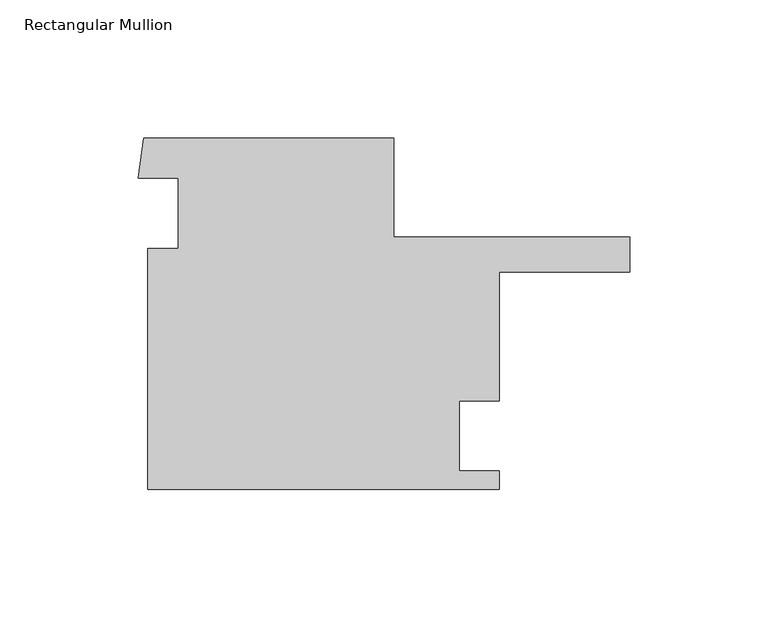
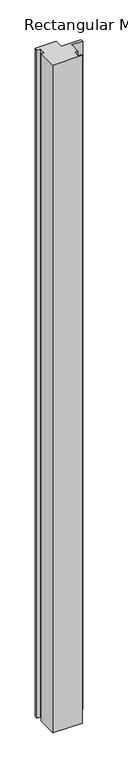
"""IFC4 building model written with IfcOpenShell, lengths in millimetres: member geometry, Rectangular Mullion."""

import ifcopenshell
import ifcopenshell.guid

model = None  # the IFC model being written
_history = None  # IfcOwnerHistory: only IFC2X3 demands one
_inside = {}  # id of a spatial element -> (the spatial element, [elements in it])
_under = {}  # id of a project, library or spatial element -> (it, [spatial elements below it])
_declared = {}  # id of a project -> (the project, [libraries it declares])
_typed = {}  # id of a type object -> (the type object, [elements of that type])
_made_of = {}  # id of a material, layer set ... -> (it, [elements and type objects made of it])


def new_model(schema):
    """Start an empty IFC model of exactly this schema.

    Asked for "IFC4X3", IfcOpenShell would pick the latest addendum, in which some entities
    have other attributes; the version numbers below select the first issue.
    IFC2X3 requires an IfcOwnerHistory on every rooted entity: one is made here for all.
    """
    global model, _history
    if schema == "IFC4X3":
        model = ifcopenshell.file(schema_version=(4, 3, 0, 0))
    else:
        model = ifcopenshell.file(schema=schema)
    _inside.clear()
    _under.clear()
    _declared.clear()
    _typed.clear()
    _made_of.clear()
    _history = None
    if model.schema == "IFC2X3":
        org = make("IfcOrganization", Name="unknown")
        user = make(
            "IfcPersonAndOrganization",
            ThePerson=make("IfcPerson", FamilyName="unknown"),
            TheOrganization=org,
        )
        app = make(
            "IfcApplication",
            ApplicationDeveloper=org,
            Version="unknown",
            ApplicationFullName="unknown",
            ApplicationIdentifier="unknown",
        )
        _history = make(
            "IfcOwnerHistory",
            OwningUser=user,
            OwningApplication=app,
            ChangeAction="ADDED",
            CreationDate=0,
        )
    return model


def make(cls, **values):
    """One entity of the class cls with the attributes given. An attribute that is None is left unset."""
    return model.create_entity(
        cls, **{name: value for name, value in values.items() if value is not None}
    )


def rooted(cls, **values):
    """An entity with a GlobalId (a new one), such as an element, a storey or a relation."""
    return make(cls, GlobalId=ifcopenshell.guid.new(), OwnerHistory=_history, **values)


def si_unit(unit_type, name, prefix=None):
    """IfcSIUnit, for example si_unit("LENGTHUNIT", "METRE", prefix="MILLI")."""
    return make("IfcSIUnit", UnitType=unit_type, Prefix=prefix, Name=name)


def assignment(units):
    """IfcUnitAssignment: the units of a project."""
    return None if units is None else make("IfcUnitAssignment", Units=units)


def point(xyz):
    """IfcCartesianPoint."""
    return None if xyz is None else make("IfcCartesianPoint", Coordinates=xyz)


def direction(xyz):
    """IfcDirection."""
    return None if xyz is None else make("IfcDirection", DirectionRatios=xyz)


def frame(location, z_axis=None, x_axis=None):
    """IfcAxis2Placement3D, a coordinate frame: its origin and axes. An axis left out is left unset."""
    return make(
        "IfcAxis2Placement3D",
        Location=point(location),
        Axis=direction(z_axis),
        RefDirection=direction(x_axis),
    )


def origin():
    """The frame at (0, 0, 0) with its axes left unset."""
    return frame((0.0, 0.0, 0.0))


def place(relative_to, where):
    """IfcLocalPlacement: puts the frame where relative to a parent placement (None: the world)."""
    return make(
        "IfcLocalPlacement", PlacementRelTo=relative_to, RelativePlacement=where
    )


def context(
    kind, dimensions, precision=None, world=None, true_north=None, identifier=None
):
    """IfcGeometricRepresentationContext, for example the 3D "Model" context."""
    return make(
        "IfcGeometricRepresentationContext",
        ContextIdentifier=identifier,
        ContextType=kind,
        CoordinateSpaceDimension=dimensions,
        Precision=precision,
        WorldCoordinateSystem=world,
        TrueNorth=true_north,
    )


def project(units=None, contexts=None):
    """IfcProject with its units and contexts."""
    return rooted(
        "IfcProject",
        Name="project",
        RepresentationContexts=contexts,
        UnitsInContext=assignment(units),
    )


def spatial(cls, under=None, at=None, **own):
    """A site, building, storey or space (cls), placed at a placement, below another one or the project."""
    s = rooted(cls, ObjectPlacement=at, **own)
    if under is not None:
        _under.setdefault(under.id(), (under, []))[1].append(s)
    return s


def polyline(points):
    """IfcPolyline through the points."""
    return make("IfcPolyline", Points=[point(p) for p in points])


def outline(outer, holes=None, kind="AREA"):
    """IfcArbitraryClosedProfileDef: a profile drawn as a closed curve; with holes, ...WithVoids."""
    if holes is None:
        return make("IfcArbitraryClosedProfileDef", ProfileType=kind, OuterCurve=outer)
    return make(
        "IfcArbitraryProfileDefWithVoids",
        ProfileType=kind,
        OuterCurve=outer,
        InnerCurves=holes,
    )


def extrude(swept, where, along, depth):
    """IfcExtrudedAreaSolid: the profile swept, set in the frame where, extruded along a direction by depth."""
    return make(
        "IfcExtrudedAreaSolid",
        SweptArea=swept,
        Position=where,
        ExtrudedDirection=direction(along),
        Depth=depth,
    )


def shape(context_of_items, identifier, shape_type, items):
    """IfcShapeRepresentation: the items that make up one representation, for example the "Body"."""
    return make(
        "IfcShapeRepresentation",
        ContextOfItems=context_of_items,
        RepresentationIdentifier=identifier,
        RepresentationType=shape_type,
        Items=items,
    )


def source(mapping_origin, context_of_items, identifier, shape_type, items):
    """IfcRepresentationMap: a shape defined once, which mapped items show again and again."""
    return make(
        "IfcRepresentationMap",
        MappingOrigin=mapping_origin,
        MappedRepresentation=shape(context_of_items, identifier, shape_type, items),
    )


def transform(
    local_origin,
    x_axis=None,
    y_axis=None,
    z_axis=None,
    scale=None,
    scale2=None,
    scale3=None,
    uniform=True,
):
    """IfcCartesianTransformationOperator3D, or its non-uniform kind. x_axis, y_axis, z_axis: its Axis1, 2, 3."""
    if uniform:
        return make(
            "IfcCartesianTransformationOperator3D",
            Axis1=direction(x_axis),
            Axis2=direction(y_axis),
            LocalOrigin=point(local_origin),
            Scale=scale,
            Axis3=direction(z_axis),
        )
    return make(
        "IfcCartesianTransformationOperator3DnonUniform",
        Axis1=direction(x_axis),
        Axis2=direction(y_axis),
        LocalOrigin=point(local_origin),
        Scale=scale,
        Axis3=direction(z_axis),
        Scale2=scale2,
        Scale3=scale3,
    )


def mapped(mapping_source, mapping_target):
    """IfcMappedItem: shows the shape of a source again, moved by a transform."""
    return make(
        "IfcMappedItem", MappingSource=mapping_source, MappingTarget=mapping_target
    )


def made_of(thing, what):
    """Note that an element or type object is made of a material, layer set ...; save() writes the relation."""
    if what is not None:
        _made_of.setdefault(what.id(), (what, []))[1].append(thing)
    return thing


def element(
    cls,
    number,
    at=None,
    inside=None,
    cuts=None,
    type_object=None,
    material=None,
    context=None,
    identifier="Body",
    shape_type=None,
    held_by="IfcProductDefinitionShape",
    body=None,
    shapes=None,
    **own,
):
    """One element of the class cls, such as IfcWall. Its Tag is "e" and its number.

    at: its placement. inside: the storey or other place that contains it. cuts: it is an
    opening in that element (IfcRelVoidsElement). A single representation is given by context,
    identifier, shape_type and body (its items); several are given by shapes. held_by: the class
    of the entity that holds the representations. save() writes the other relations.
    """
    e = rooted(cls, Tag="e%d" % number, ObjectPlacement=at, **own)
    if body is not None:
        shapes = [shape(context, identifier, shape_type, body)]
    if shapes is not None:
        e.Representation = make(held_by, Representations=shapes)
    if inside is not None:
        _inside.setdefault(inside.id(), (inside, []))[1].append(e)
    if cuts is not None:
        rooted(
            "IfcRelVoidsElement", RelatingBuildingElement=cuts, RelatedOpeningElement=e
        )
    if type_object is not None:
        _typed.setdefault(type_object.id(), (type_object, []))[1].append(e)
    return made_of(e, material)


def aggregate(whole, parts):
    """IfcRelAggregates: a whole, such as a stair, and the parts it consists of."""
    return rooted("IfcRelAggregates", RelatingObject=whole, RelatedObjects=parts)


def save(model, path):
    """Write the relations noted so far, then the file.

    IfcRelAggregates (storeys below a building ...), IfcRelContainedInSpatialStructure (elements
    in a storey), IfcRelDefinesByType, IfcRelAssociatesMaterial and IfcRelDeclares: one each for
    every whole, place, type object, material and project.
    """
    for whole, parts in _under.values():
        aggregate(whole, parts)
    for where, things in _inside.values():
        rooted(
            "IfcRelContainedInSpatialStructure",
            RelatedElements=things,
            RelatingStructure=where,
        )
    for kind, things in _typed.values():
        rooted("IfcRelDefinesByType", RelatedObjects=things, RelatingType=kind)
    for what, things in _made_of.values():
        rooted("IfcRelAssociatesMaterial", RelatedObjects=things, RelatingMaterial=what)
    for by, libraries in _declared.values():
        rooted("IfcRelDeclares", RelatingContext=by, RelatedDefinitions=libraries)
    model.write(path)


def rectangular_mullion_6ec03bc8(model_context):
    return source(origin(), model_context, "Body", "SweptSolid", [
        extrude(outline(polyline([(-85.3358632, 51.016025), (-85.3358632, 15.2739245), (0.0, 15.2739245), (0.0, 2.6359536), (-47.2358632, 2.6359536), (-47.2358632, -44.0053394), (-61.5233511, -44.0053394), (-61.5233511, -69.4053394), (-47.2358632, -69.4053394), (-47.2358632, -75.983975), (-174.2358632, -75.983975), (-174.2358632, 11.1125), (-163.1233632, 11.1125), (-163.1233632, 36.5162316), (-177.6313343, 36.5162316), (-175.5762454, 51.016025), (-85.3358632, 51.016025)])), frame((0.0, 0.0, -3048.0), z_axis=(0.0, 0.0, 1.0), x_axis=(1.0, 0.0, 0.0)), (0.0, 0.0, 1.0), 3048.0),
    ])


if __name__ == "__main__":
    model = new_model("IFC4")
    model_context = context("Model", 3, world=origin())
    ifc_project = project(units=[si_unit("LENGTHUNIT", "METRE", prefix="MILLI")], contexts=[model_context])
    site = spatial("IfcSite", under=ifc_project)
    building = spatial("IfcBuilding", under=site)
    placement = place(None, origin())
    rectangular_mullion_shape = rectangular_mullion_6ec03bc8(model_context)
    element("IfcMember", 1, ObjectType="Rectangular Mullion", at=placement, inside=building, context=model_context, shape_type="MappedRepresentation", body=[
        mapped(rectangular_mullion_shape, transform((0.0, 0.0, 0.0), x_axis=(1.0, 0.0, 0.0), y_axis=(0.0, 1.0, 0.0), z_axis=(0.0, 0.0, 1.0))),
    ])
    save(model, "model.ifc")
